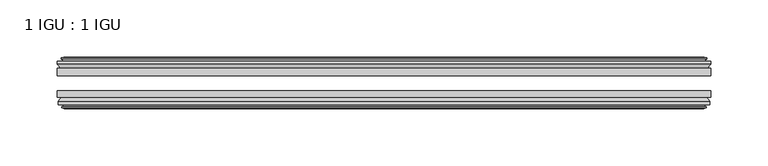
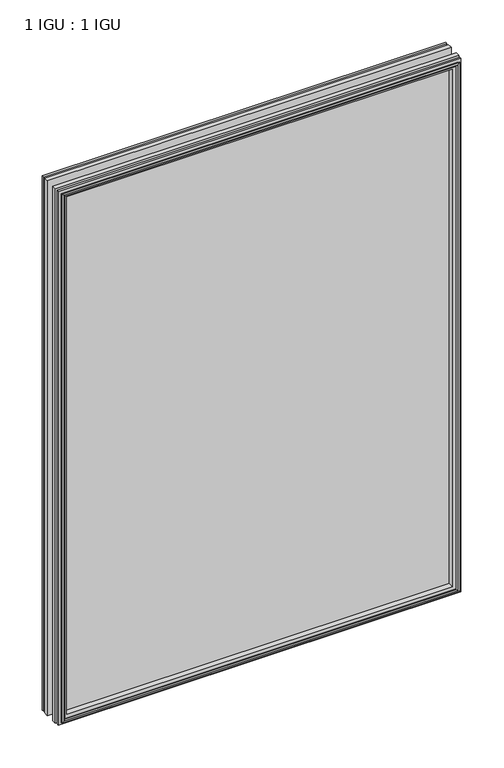
"""IFC4 building model written with IfcOpenShell, lengths in millimetres: plate geometry, 1 IGU : 1 IGU."""

import ifcopenshell
import ifcopenshell.guid

model = None  # the IFC model being written
_history = None  # IfcOwnerHistory: only IFC2X3 demands one
_inside = {}  # id of a spatial element -> (the spatial element, [elements in it])
_under = {}  # id of a project, library or spatial element -> (it, [spatial elements below it])
_declared = {}  # id of a project -> (the project, [libraries it declares])
_typed = {}  # id of a type object -> (the type object, [elements of that type])
_made_of = {}  # id of a material, layer set ... -> (it, [elements and type objects made of it])


def new_model(schema):
    """Start an empty IFC model of exactly this schema.

    Asked for "IFC4X3", IfcOpenShell would pick the latest addendum, in which some entities
    have other attributes; the version numbers below select the first issue.
    IFC2X3 requires an IfcOwnerHistory on every rooted entity: one is made here for all.
    """
    global model, _history
    if schema == "IFC4X3":
        model = ifcopenshell.file(schema_version=(4, 3, 0, 0))
    else:
        model = ifcopenshell.file(schema=schema)
    _inside.clear()
    _under.clear()
    _declared.clear()
    _typed.clear()
    _made_of.clear()
    _history = None
    if model.schema == "IFC2X3":
        org = make("IfcOrganization", Name="unknown")
        user = make(
            "IfcPersonAndOrganization",
            ThePerson=make("IfcPerson", FamilyName="unknown"),
            TheOrganization=org,
        )
        app = make(
            "IfcApplication",
            ApplicationDeveloper=org,
            Version="unknown",
            ApplicationFullName="unknown",
            ApplicationIdentifier="unknown",
        )
        _history = make(
            "IfcOwnerHistory",
            OwningUser=user,
            OwningApplication=app,
            ChangeAction="ADDED",
            CreationDate=0,
        )
    return model


def make(cls, **values):
    """One entity of the class cls with the attributes given. An attribute that is None is left unset."""
    return model.create_entity(
        cls, **{name: value for name, value in values.items() if value is not None}
    )


def rooted(cls, **values):
    """An entity with a GlobalId (a new one), such as an element, a storey or a relation."""
    return make(cls, GlobalId=ifcopenshell.guid.new(), OwnerHistory=_history, **values)


def si_unit(unit_type, name, prefix=None):
    """IfcSIUnit, for example si_unit("LENGTHUNIT", "METRE", prefix="MILLI")."""
    return make("IfcSIUnit", UnitType=unit_type, Prefix=prefix, Name=name)


def assignment(units):
    """IfcUnitAssignment: the units of a project."""
    return None if units is None else make("IfcUnitAssignment", Units=units)


def point(xyz):
    """IfcCartesianPoint."""
    return None if xyz is None else make("IfcCartesianPoint", Coordinates=xyz)


def direction(xyz):
    """IfcDirection."""
    return None if xyz is None else make("IfcDirection", DirectionRatios=xyz)


def frame(location, z_axis=None, x_axis=None):
    """IfcAxis2Placement3D, a coordinate frame: its origin and axes. An axis left out is left unset."""
    return make(
        "IfcAxis2Placement3D",
        Location=point(location),
        Axis=direction(z_axis),
        RefDirection=direction(x_axis),
    )


def origin():
    """The frame at (0, 0, 0) with its axes left unset."""
    return frame((0.0, 0.0, 0.0))


def place(relative_to, where):
    """IfcLocalPlacement: puts the frame where relative to a parent placement (None: the world)."""
    return make(
        "IfcLocalPlacement", PlacementRelTo=relative_to, RelativePlacement=where
    )


def context(
    kind, dimensions, precision=None, world=None, true_north=None, identifier=None
):
    """IfcGeometricRepresentationContext, for example the 3D "Model" context."""
    return make(
        "IfcGeometricRepresentationContext",
        ContextIdentifier=identifier,
        ContextType=kind,
        CoordinateSpaceDimension=dimensions,
        Precision=precision,
        WorldCoordinateSystem=world,
        TrueNorth=true_north,
    )


def project(units=None, contexts=None):
    """IfcProject with its units and contexts."""
    return rooted(
        "IfcProject",
        Name="project",
        RepresentationContexts=contexts,
        UnitsInContext=assignment(units),
    )


def spatial(cls, under=None, at=None, **own):
    """A site, building, storey or space (cls), placed at a placement, below another one or the project."""
    s = rooted(cls, ObjectPlacement=at, **own)
    if under is not None:
        _under.setdefault(under.id(), (under, []))[1].append(s)
    return s


def polyline(points):
    """IfcPolyline through the points."""
    return make("IfcPolyline", Points=[point(p) for p in points])


def outline(outer, holes=None, kind="AREA"):
    """IfcArbitraryClosedProfileDef: a profile drawn as a closed curve; with holes, ...WithVoids."""
    if holes is None:
        return make("IfcArbitraryClosedProfileDef", ProfileType=kind, OuterCurve=outer)
    return make(
        "IfcArbitraryProfileDefWithVoids",
        ProfileType=kind,
        OuterCurve=outer,
        InnerCurves=holes,
    )


def extrude(swept, where, along, depth):
    """IfcExtrudedAreaSolid: the profile swept, set in the frame where, extruded along a direction by depth."""
    return make(
        "IfcExtrudedAreaSolid",
        SweptArea=swept,
        Position=where,
        ExtrudedDirection=direction(along),
        Depth=depth,
    )


def faces_of(points, faces, orient=None, outer=None):
    """IfcFace entities. A face is a list of loops; a loop is a list of indices into points, from 0.

    orient and outer hold one flag for each loop. By default every Orientation is true, the
    first loop of a face is its IfcFaceOuterBound and the others are IfcFaceBound.
    """
    made = []
    for i, loops in enumerate(faces):
        bounds = []
        for j, loop in enumerate(loops):
            is_outer = j == 0 if outer is None else outer[i][j]
            bounds.append(
                make(
                    "IfcFaceOuterBound" if is_outer else "IfcFaceBound",
                    Bound=make("IfcPolyLoop", Polygon=[points[k] for k in loop]),
                    Orientation=True if orient is None else orient[i][j],
                )
            )
        made.append(make("IfcFace", Bounds=bounds))
    return made


def faceted_brep(points, faces, orient=None, outer=None, voids=None):
    """IfcFacetedBrep: a solid bounded by flat faces; with voids (closed shells), ...WithVoids."""
    shared = [point(p) for p in points]
    hull = make("IfcClosedShell", CfsFaces=faces_of(shared, faces, orient, outer))
    if voids is None:
        return make("IfcFacetedBrep", Outer=hull)
    return make(
        "IfcFacetedBrepWithVoids",
        Outer=hull,
        Voids=[
            make(cls, CfsFaces=faces_of(shared, fs, o, b)) for cls, fs, o, b in voids
        ],
    )


def shape(context_of_items, identifier, shape_type, items):
    """IfcShapeRepresentation: the items that make up one representation, for example the "Body"."""
    return make(
        "IfcShapeRepresentation",
        ContextOfItems=context_of_items,
        RepresentationIdentifier=identifier,
        RepresentationType=shape_type,
        Items=items,
    )


def source(mapping_origin, context_of_items, identifier, shape_type, items):
    """IfcRepresentationMap: a shape defined once, which mapped items show again and again."""
    return make(
        "IfcRepresentationMap",
        MappingOrigin=mapping_origin,
        MappedRepresentation=shape(context_of_items, identifier, shape_type, items),
    )


def transform(
    local_origin,
    x_axis=None,
    y_axis=None,
    z_axis=None,
    scale=None,
    scale2=None,
    scale3=None,
    uniform=True,
):
    """IfcCartesianTransformationOperator3D, or its non-uniform kind. x_axis, y_axis, z_axis: its Axis1, 2, 3."""
    if uniform:
        return make(
            "IfcCartesianTransformationOperator3D",
            Axis1=direction(x_axis),
            Axis2=direction(y_axis),
            LocalOrigin=point(local_origin),
            Scale=scale,
            Axis3=direction(z_axis),
        )
    return make(
        "IfcCartesianTransformationOperator3DnonUniform",
        Axis1=direction(x_axis),
        Axis2=direction(y_axis),
        LocalOrigin=point(local_origin),
        Scale=scale,
        Axis3=direction(z_axis),
        Scale2=scale2,
        Scale3=scale3,
    )


def mapped(mapping_source, mapping_target):
    """IfcMappedItem: shows the shape of a source again, moved by a transform."""
    return make(
        "IfcMappedItem", MappingSource=mapping_source, MappingTarget=mapping_target
    )


def made_of(thing, what):
    """Note that an element or type object is made of a material, layer set ...; save() writes the relation."""
    if what is not None:
        _made_of.setdefault(what.id(), (what, []))[1].append(thing)
    return thing


def element(
    cls,
    number,
    at=None,
    inside=None,
    cuts=None,
    type_object=None,
    material=None,
    context=None,
    identifier="Body",
    shape_type=None,
    held_by="IfcProductDefinitionShape",
    body=None,
    shapes=None,
    **own,
):
    """One element of the class cls, such as IfcWall. Its Tag is "e" and its number.

    at: its placement. inside: the storey or other place that contains it. cuts: it is an
    opening in that element (IfcRelVoidsElement). A single representation is given by context,
    identifier, shape_type and body (its items); several are given by shapes. held_by: the class
    of the entity that holds the representations. save() writes the other relations.
    """
    e = rooted(cls, Tag="e%d" % number, ObjectPlacement=at, **own)
    if body is not None:
        shapes = [shape(context, identifier, shape_type, body)]
    if shapes is not None:
        e.Representation = make(held_by, Representations=shapes)
    if inside is not None:
        _inside.setdefault(inside.id(), (inside, []))[1].append(e)
    if cuts is not None:
        rooted(
            "IfcRelVoidsElement", RelatingBuildingElement=cuts, RelatedOpeningElement=e
        )
    if type_object is not None:
        _typed.setdefault(type_object.id(), (type_object, []))[1].append(e)
    return made_of(e, material)


def aggregate(whole, parts):
    """IfcRelAggregates: a whole, such as a stair, and the parts it consists of."""
    return rooted("IfcRelAggregates", RelatingObject=whole, RelatedObjects=parts)


def save(model, path):
    """Write the relations noted so far, then the file.

    IfcRelAggregates (storeys below a building ...), IfcRelContainedInSpatialStructure (elements
    in a storey), IfcRelDefinesByType, IfcRelAssociatesMaterial and IfcRelDeclares: one each for
    every whole, place, type object, material and project.
    """
    for whole, parts in _under.values():
        aggregate(whole, parts)
    for where, things in _inside.values():
        rooted(
            "IfcRelContainedInSpatialStructure",
            RelatedElements=things,
            RelatingStructure=where,
        )
    for kind, things in _typed.values():
        rooted("IfcRelDefinesByType", RelatedObjects=things, RelatingType=kind)
    for what, things in _made_of.values():
        rooted("IfcRelAssociatesMaterial", RelatedObjects=things, RelatingMaterial=what)
    for by, libraries in _declared.values():
        rooted("IfcRelDeclares", RelatingContext=by, RelatedDefinitions=libraries)
    model.write(path)


def plate_1_igu_1_igu_f2f3466a(model_context):
    return source(origin(), model_context, "Body", "SolidModel", [
        extrude(outline(polyline([(285.7499997, -25.8960937), (285.7499997, -32.2460938), (-285.7499997, -32.2460938), (-285.7499997, -25.8960937), (285.7499997, -25.8960937)])), frame((0.0, 0.0, -12.7), z_axis=(0.0, 0.0, 1.0), x_axis=(1.0, 0.0, 0.0)), (0.0, 0.0, 1.0), 800.1),
        extrude(outline(polyline([(-285.7499997, -51.2960938), (-285.7499997, -45.2686737), (285.7499997, -45.2686737), (285.7499997, -51.2960938), (-285.7499997, -51.2960938)])), frame((0.0, 0.0, -12.7), z_axis=(0.0, 0.0, 1.0), x_axis=(1.0, 0.0, 0.0)), (0.0, 0.0, 1.0), 800.1),
        faceted_brep([(-280.1619997, -60.0262907, 781.812), (-280.5429997, -57.6460937, 782.193), (-280.5429997, -57.6460937, -7.493), (-280.1619997, -60.0262907, -7.112), (-281.5775287, -59.5663575, 783.2275291), (-281.5775287, -59.5663575, -8.5275291), (-281.5775287, -60.3675717, 783.2275291), (-281.5775287, -60.3675717, -8.5275291), (-279.3999997, -61.0750937, 781.05), (-279.3999997, -61.0750937, -6.35), (-277.2224706, -60.3675717, 778.872471), (-277.2224706, -60.3675717, -4.1724709), (-277.2224706, -59.5663575, 778.872471), (-277.2224706, -59.5663575, -4.1724709), (-278.6379997, -60.0262907, 780.288), (-278.6379997, -60.0262907, -5.588), (-278.2569997, -57.6460937, 779.907), (-278.2569997, -57.6460937, -5.207), (-271.3322816, -51.2960937, 772.9822819), (-273.0499997, -57.6460937, 774.7), (-273.0499997, -57.6460937, 0.0), (-271.3322816, -51.2960937, 1.7177181), (-284.9879997, -54.6996937, 786.638), (-282.1536575, -51.2960937, 783.8036578), (-282.1536575, -51.2960937, -9.1036578), (-284.9879997, -54.6996937, -11.938), (-284.9879997, -57.6460937, 786.638), (-284.9879997, -57.6460937, -11.938), (280.5429997, -57.6460938, -7.493), (280.1619997, -60.0262907, -7.112), (281.5775287, -59.5663575, -8.5275291), (281.5775287, -60.3675717, -8.5275291), (279.3999997, -61.0750937, -6.35), (277.2224706, -60.3675717, -4.1724709), (277.2224706, -59.5663575, -4.1724709), (278.6379997, -60.0262907, -5.588), (278.2569997, -57.6460937, -5.207), (273.0499997, -57.6460937, 0.0), (271.3322816, -51.2960937, 1.7177181), (282.1536575, -51.2960937, -9.1036578), (284.9879997, -54.6996937, -11.938), (284.9879997, -57.6460938, -11.938), (280.5429997, -57.6460938, 782.193), (280.1619997, -60.0262907, 781.812), (281.5775287, -59.5663575, 783.2275291), (281.5775287, -60.3675717, 783.2275291), (279.3999997, -61.0750937, 781.05), (277.2224706, -60.3675717, 778.872471), (277.2224706, -59.5663575, 778.872471), (278.6379997, -60.0262907, 780.288), (278.2569997, -57.6460937, 779.907), (273.0499997, -57.6460937, 774.7), (271.3322816, -51.2960937, 772.9822819), (282.1536575, -51.2960937, 783.8036578), (284.9879997, -54.6996937, 786.638), (284.9879997, -57.6460938, 786.638)], [[[0, 1, 2, 3]], [[4, 0, 3, 5]], [[6, 4, 5, 7]], [[8, 6, 7, 9]], [[10, 8, 9, 11]], [[12, 10, 11, 13]], [[14, 12, 13, 15]], [[16, 14, 15, 17]], [[18, 19, 20, 21]], [[22, 23, 24, 25]], [[26, 22, 25, 27]], [[3, 2, 28, 29]], [[5, 3, 29, 30]], [[7, 5, 30, 31]], [[9, 7, 31, 32]], [[11, 9, 32, 33]], [[13, 11, 33, 34]], [[15, 13, 34, 35]], [[17, 15, 35, 36]], [[21, 20, 37, 38]], [[25, 24, 39, 40]], [[27, 25, 40, 41]], [[29, 28, 42, 43]], [[30, 29, 43, 44]], [[31, 30, 44, 45]], [[32, 31, 45, 46]], [[33, 32, 46, 47]], [[34, 33, 47, 48]], [[35, 34, 48, 49]], [[36, 35, 49, 50]], [[38, 37, 51, 52]], [[40, 39, 53, 54]], [[41, 40, 54, 55]], [[27, 41, 55, 26], [1, 42, 28, 2]], [[43, 42, 1, 0]], [[44, 43, 0, 4]], [[45, 44, 4, 6]], [[46, 45, 6, 8]], [[47, 46, 8, 10]], [[48, 47, 10, 12]], [[49, 48, 12, 14]], [[50, 49, 14, 16]], [[17, 36, 50, 16], [19, 51, 37, 20]], [[52, 51, 19, 18]], [[23, 53, 39, 24], [21, 38, 52, 18]], [[54, 53, 23, 22]], [[55, 54, 22, 26]]]),
        faceted_brep([(-282.6743575, -25.8960937, 784.3243578), (-285.5086997, -22.4924937, 787.1587), (-285.5086997, -22.4924937, -12.4587), (-282.6743575, -25.8960937, -9.6243578), (-273.5706997, -19.5460937, 775.2207), (-271.8529816, -25.8960937, 773.5029819), (-271.8529816, -25.8960937, 1.1970181), (-273.5706997, -19.5460937, -0.5207), (-279.1586997, -17.1658968, 780.8087), (-278.7776997, -19.5460937, 780.4277), (-278.7776997, -19.5460937, -5.7277), (-279.1586997, -17.1658968, -6.1087), (-277.7431706, -17.62583, 779.393171), (-277.7431706, -17.62583, -4.6931709), (-277.7431706, -16.8246158, 779.393171), (-277.7431706, -16.8246158, -4.6931709), (-279.9206997, -16.1170937, 781.5707), (-279.9206997, -16.1170937, -6.8707), (-282.0982287, -16.8246158, 783.7482291), (-282.0982287, -16.8246158, -9.0482291), (-282.0982287, -17.62583, 783.7482291), (-282.0982287, -17.62583, -9.0482291), (-280.6826997, -17.1658968, 782.3327), (-280.6826997, -17.1658968, -7.6327), (-281.0636997, -19.5460937, 782.7137), (-281.0636997, -19.5460937, -8.0137), (-285.5086997, -19.5460937, 787.1587), (-285.5086997, -19.5460937, -12.4587), (285.5086997, -22.4924937, -12.4587), (282.6743575, -25.8960937, -9.6243578), (271.8529816, -25.8960937, 1.1970181), (273.5706997, -19.5460937, -0.5207), (278.7776997, -19.5460937, -5.7277), (279.1586997, -17.1658968, -6.1087), (277.7431706, -17.62583, -4.6931709), (277.7431706, -16.8246158, -4.6931709), (279.9206997, -16.1170937, -6.8707), (282.0982287, -16.8246158, -9.0482291), (282.0982287, -17.62583, -9.0482291), (280.6826997, -17.1658968, -7.6327), (281.0636997, -19.5460937, -8.0137), (285.5086997, -19.5460937, -12.4587), (285.5086997, -22.4924937, 787.1587), (282.6743575, -25.8960937, 784.3243578), (271.8529816, -25.8960937, 773.5029819), (273.5706997, -19.5460937, 775.2207), (278.7776997, -19.5460937, 780.4277), (279.1586997, -17.1658968, 780.8087), (277.7431706, -17.62583, 779.393171), (277.7431706, -16.8246158, 779.393171), (279.9206997, -16.1170937, 781.5707), (282.0982287, -16.8246158, 783.7482291), (282.0982287, -17.62583, 783.7482291), (280.6826997, -17.1658968, 782.3327), (281.0636997, -19.5460937, 782.7137), (285.5086997, -19.5460937, 787.1587)], [[[0, 1, 2, 3]], [[4, 5, 6, 7]], [[8, 9, 10, 11]], [[12, 8, 11, 13]], [[14, 12, 13, 15]], [[16, 14, 15, 17]], [[18, 16, 17, 19]], [[20, 18, 19, 21]], [[22, 20, 21, 23]], [[24, 22, 23, 25]], [[1, 26, 27, 2]], [[3, 2, 28, 29]], [[7, 6, 30, 31]], [[11, 10, 32, 33]], [[13, 11, 33, 34]], [[15, 13, 34, 35]], [[17, 15, 35, 36]], [[19, 17, 36, 37]], [[21, 19, 37, 38]], [[23, 21, 38, 39]], [[25, 23, 39, 40]], [[2, 27, 41, 28]], [[29, 28, 42, 43]], [[31, 30, 44, 45]], [[33, 32, 46, 47]], [[34, 33, 47, 48]], [[35, 34, 48, 49]], [[36, 35, 49, 50]], [[37, 36, 50, 51]], [[38, 37, 51, 52]], [[39, 38, 52, 53]], [[40, 39, 53, 54]], [[28, 41, 55, 42]], [[43, 42, 1, 0]], [[3, 29, 43, 0], [5, 44, 30, 6]], [[45, 44, 5, 4]], [[9, 46, 32, 10], [7, 31, 45, 4]], [[47, 46, 9, 8]], [[48, 47, 8, 12]], [[49, 48, 12, 14]], [[50, 49, 14, 16]], [[51, 50, 16, 18]], [[52, 51, 18, 20]], [[53, 52, 20, 22]], [[54, 53, 22, 24]], [[26, 55, 41, 27], [25, 40, 54, 24]], [[42, 55, 26, 1]]]),
    ])


if __name__ == "__main__":
    model = new_model("IFC4")
    model_context = context("Model", 3, world=origin())
    ifc_project = project(units=[si_unit("LENGTHUNIT", "METRE", prefix="MILLI")], contexts=[model_context])
    site = spatial("IfcSite", under=ifc_project)
    building = spatial("IfcBuilding", under=site)
    placement = place(None, origin())
    plate_1_igu_1_igu_shape = plate_1_igu_1_igu_f2f3466a(model_context)
    element("IfcPlate", 1, ObjectType="1 IGU : 1 IGU", at=placement, inside=building, context=model_context, shape_type="MappedRepresentation", body=[
        mapped(plate_1_igu_1_igu_shape, transform((0.0, 0.0, 0.0), x_axis=(1.0, 0.0, 0.0), y_axis=(0.0, 1.0, 0.0), z_axis=(0.0, 0.0, 1.0))),
    ])
    save(model, "model.ifc")
